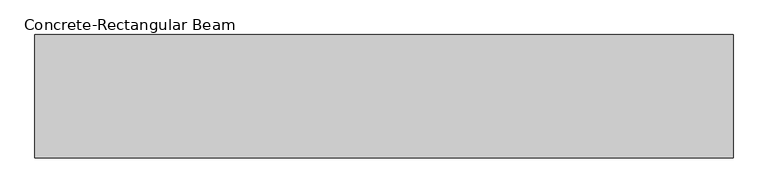
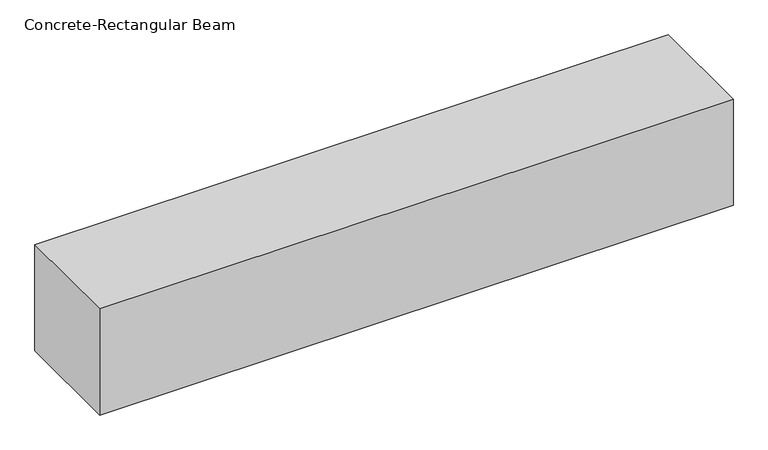
"""IFC4 building model written with IfcOpenShell, lengths in millimetres: beam geometry, Concrete-Rectangular Beam."""

from ifc_helpers import new_model, si_unit, frame, origin, place, context, project, spatial, polyline, outline, extrude, source, transform, mapped, element, save


def concrete_rectangular_beam_cf22ae17(model_context):
    return source(origin(), model_context, "Body", "SweptSolid", [
        extrude(outline(polyline([(1130.0, 200.0), (1130.0, -200.0), (-1130.0, -200.0), (-1130.0, 200.0), (1130.0, 200.0)])), frame((0.0, 0.0, -200.0), z_axis=(0.0, 0.0, 1.0), x_axis=(1.0, 0.0, 0.0)), (0.0, 0.0, 1.0), 400.0),
    ])


if __name__ == "__main__":
    model = new_model("IFC4")
    model_context = context("Model", 3, world=origin())
    ifc_project = project(units=[si_unit("LENGTHUNIT", "METRE", prefix="MILLI")], contexts=[model_context])
    site = spatial("IfcSite", under=ifc_project)
    building = spatial("IfcBuilding", under=site)
    placement = place(None, origin())
    concrete_rectangular_beam_shape = concrete_rectangular_beam_cf22ae17(model_context)
    element("IfcBeam", 1, ObjectType="Concrete-Rectangular Beam", at=placement, inside=building, context=model_context, shape_type="MappedRepresentation", body=[
        mapped(concrete_rectangular_beam_shape, transform((0.0, 0.0, 0.0), x_axis=(1.0, 0.0, 0.0), y_axis=(0.0, 1.0, 0.0), z_axis=(0.0, 0.0, 1.0))),
    ])
    save(model, "model.ifc")
